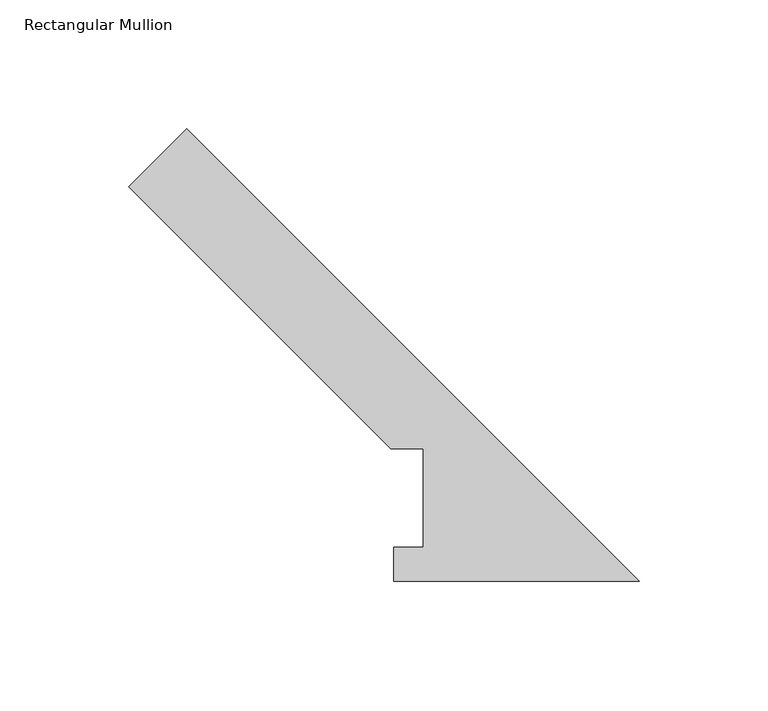
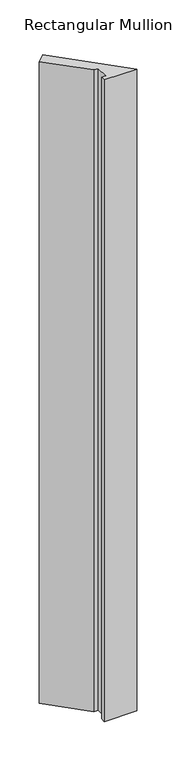
"""IFC4 building model written with IfcOpenShell, lengths in millimetres: member geometry, Rectangular Mullion."""

import ifcopenshell
import ifcopenshell.guid

model = None  # the IFC model being written
_history = None  # IfcOwnerHistory: only IFC2X3 demands one
_inside = {}  # id of a spatial element -> (the spatial element, [elements in it])
_under = {}  # id of a project, library or spatial element -> (it, [spatial elements below it])
_declared = {}  # id of a project -> (the project, [libraries it declares])
_typed = {}  # id of a type object -> (the type object, [elements of that type])
_made_of = {}  # id of a material, layer set ... -> (it, [elements and type objects made of it])


def new_model(schema):
    """Start an empty IFC model of exactly this schema.

    Asked for "IFC4X3", IfcOpenShell would pick the latest addendum, in which some entities
    have other attributes; the version numbers below select the first issue.
    IFC2X3 requires an IfcOwnerHistory on every rooted entity: one is made here for all.
    """
    global model, _history
    if schema == "IFC4X3":
        model = ifcopenshell.file(schema_version=(4, 3, 0, 0))
    else:
        model = ifcopenshell.file(schema=schema)
    _inside.clear()
    _under.clear()
    _declared.clear()
    _typed.clear()
    _made_of.clear()
    _history = None
    if model.schema == "IFC2X3":
        org = make("IfcOrganization", Name="unknown")
        user = make(
            "IfcPersonAndOrganization",
            ThePerson=make("IfcPerson", FamilyName="unknown"),
            TheOrganization=org,
        )
        app = make(
            "IfcApplication",
            ApplicationDeveloper=org,
            Version="unknown",
            ApplicationFullName="unknown",
            ApplicationIdentifier="unknown",
        )
        _history = make(
            "IfcOwnerHistory",
            OwningUser=user,
            OwningApplication=app,
            ChangeAction="ADDED",
            CreationDate=0,
        )
    return model


def make(cls, **values):
    """One entity of the class cls with the attributes given. An attribute that is None is left unset."""
    return model.create_entity(
        cls, **{name: value for name, value in values.items() if value is not None}
    )


def rooted(cls, **values):
    """An entity with a GlobalId (a new one), such as an element, a storey or a relation."""
    return make(cls, GlobalId=ifcopenshell.guid.new(), OwnerHistory=_history, **values)


def si_unit(unit_type, name, prefix=None):
    """IfcSIUnit, for example si_unit("LENGTHUNIT", "METRE", prefix="MILLI")."""
    return make("IfcSIUnit", UnitType=unit_type, Prefix=prefix, Name=name)


def assignment(units):
    """IfcUnitAssignment: the units of a project."""
    return None if units is None else make("IfcUnitAssignment", Units=units)


def point(xyz):
    """IfcCartesianPoint."""
    return None if xyz is None else make("IfcCartesianPoint", Coordinates=xyz)


def direction(xyz):
    """IfcDirection."""
    return None if xyz is None else make("IfcDirection", DirectionRatios=xyz)


def frame(location, z_axis=None, x_axis=None):
    """IfcAxis2Placement3D, a coordinate frame: its origin and axes. An axis left out is left unset."""
    return make(
        "IfcAxis2Placement3D",
        Location=point(location),
        Axis=direction(z_axis),
        RefDirection=direction(x_axis),
    )


def origin():
    """The frame at (0, 0, 0) with its axes left unset."""
    return frame((0.0, 0.0, 0.0))


def place(relative_to, where):
    """IfcLocalPlacement: puts the frame where relative to a parent placement (None: the world)."""
    return make(
        "IfcLocalPlacement", PlacementRelTo=relative_to, RelativePlacement=where
    )


def context(
    kind, dimensions, precision=None, world=None, true_north=None, identifier=None
):
    """IfcGeometricRepresentationContext, for example the 3D "Model" context."""
    return make(
        "IfcGeometricRepresentationContext",
        ContextIdentifier=identifier,
        ContextType=kind,
        CoordinateSpaceDimension=dimensions,
        Precision=precision,
        WorldCoordinateSystem=world,
        TrueNorth=true_north,
    )


def project(units=None, contexts=None):
    """IfcProject with its units and contexts."""
    return rooted(
        "IfcProject",
        Name="project",
        RepresentationContexts=contexts,
        UnitsInContext=assignment(units),
    )


def spatial(cls, under=None, at=None, **own):
    """A site, building, storey or space (cls), placed at a placement, below another one or the project."""
    s = rooted(cls, ObjectPlacement=at, **own)
    if under is not None:
        _under.setdefault(under.id(), (under, []))[1].append(s)
    return s


def polyline(points):
    """IfcPolyline through the points."""
    return make("IfcPolyline", Points=[point(p) for p in points])


def outline(outer, holes=None, kind="AREA"):
    """IfcArbitraryClosedProfileDef: a profile drawn as a closed curve; with holes, ...WithVoids."""
    if holes is None:
        return make("IfcArbitraryClosedProfileDef", ProfileType=kind, OuterCurve=outer)
    return make(
        "IfcArbitraryProfileDefWithVoids",
        ProfileType=kind,
        OuterCurve=outer,
        InnerCurves=holes,
    )


def extrude(swept, where, along, depth):
    """IfcExtrudedAreaSolid: the profile swept, set in the frame where, extruded along a direction by depth."""
    return make(
        "IfcExtrudedAreaSolid",
        SweptArea=swept,
        Position=where,
        ExtrudedDirection=direction(along),
        Depth=depth,
    )


def shape(context_of_items, identifier, shape_type, items):
    """IfcShapeRepresentation: the items that make up one representation, for example the "Body"."""
    return make(
        "IfcShapeRepresentation",
        ContextOfItems=context_of_items,
        RepresentationIdentifier=identifier,
        RepresentationType=shape_type,
        Items=items,
    )


def source(mapping_origin, context_of_items, identifier, shape_type, items):
    """IfcRepresentationMap: a shape defined once, which mapped items show again and again."""
    return make(
        "IfcRepresentationMap",
        MappingOrigin=mapping_origin,
        MappedRepresentation=shape(context_of_items, identifier, shape_type, items),
    )


def transform(
    local_origin,
    x_axis=None,
    y_axis=None,
    z_axis=None,
    scale=None,
    scale2=None,
    scale3=None,
    uniform=True,
):
    """IfcCartesianTransformationOperator3D, or its non-uniform kind. x_axis, y_axis, z_axis: its Axis1, 2, 3."""
    if uniform:
        return make(
            "IfcCartesianTransformationOperator3D",
            Axis1=direction(x_axis),
            Axis2=direction(y_axis),
            LocalOrigin=point(local_origin),
            Scale=scale,
            Axis3=direction(z_axis),
        )
    return make(
        "IfcCartesianTransformationOperator3DnonUniform",
        Axis1=direction(x_axis),
        Axis2=direction(y_axis),
        LocalOrigin=point(local_origin),
        Scale=scale,
        Axis3=direction(z_axis),
        Scale2=scale2,
        Scale3=scale3,
    )


def mapped(mapping_source, mapping_target):
    """IfcMappedItem: shows the shape of a source again, moved by a transform."""
    return make(
        "IfcMappedItem", MappingSource=mapping_source, MappingTarget=mapping_target
    )


def made_of(thing, what):
    """Note that an element or type object is made of a material, layer set ...; save() writes the relation."""
    if what is not None:
        _made_of.setdefault(what.id(), (what, []))[1].append(thing)
    return thing


def element(
    cls,
    number,
    at=None,
    inside=None,
    cuts=None,
    type_object=None,
    material=None,
    context=None,
    identifier="Body",
    shape_type=None,
    held_by="IfcProductDefinitionShape",
    body=None,
    shapes=None,
    **own,
):
    """One element of the class cls, such as IfcWall. Its Tag is "e" and its number.

    at: its placement. inside: the storey or other place that contains it. cuts: it is an
    opening in that element (IfcRelVoidsElement). A single representation is given by context,
    identifier, shape_type and body (its items); several are given by shapes. held_by: the class
    of the entity that holds the representations. save() writes the other relations.
    """
    e = rooted(cls, Tag="e%d" % number, ObjectPlacement=at, **own)
    if body is not None:
        shapes = [shape(context, identifier, shape_type, body)]
    if shapes is not None:
        e.Representation = make(held_by, Representations=shapes)
    if inside is not None:
        _inside.setdefault(inside.id(), (inside, []))[1].append(e)
    if cuts is not None:
        rooted(
            "IfcRelVoidsElement", RelatingBuildingElement=cuts, RelatedOpeningElement=e
        )
    if type_object is not None:
        _typed.setdefault(type_object.id(), (type_object, []))[1].append(e)
    return made_of(e, material)


def aggregate(whole, parts):
    """IfcRelAggregates: a whole, such as a stair, and the parts it consists of."""
    return rooted("IfcRelAggregates", RelatingObject=whole, RelatedObjects=parts)


def save(model, path):
    """Write the relations noted so far, then the file.

    IfcRelAggregates (storeys below a building ...), IfcRelContainedInSpatialStructure (elements
    in a storey), IfcRelDefinesByType, IfcRelAssociatesMaterial and IfcRelDeclares: one each for
    every whole, place, type object, material and project.
    """
    for whole, parts in _under.values():
        aggregate(whole, parts)
    for where, things in _inside.values():
        rooted(
            "IfcRelContainedInSpatialStructure",
            RelatedElements=things,
            RelatingStructure=where,
        )
    for kind, things in _typed.values():
        rooted("IfcRelDefinesByType", RelatedObjects=things, RelatingType=kind)
    for what, things in _made_of.values():
        rooted("IfcRelAssociatesMaterial", RelatedObjects=things, RelatingMaterial=what)
    for by, libraries in _declared.values():
        rooted("IfcRelDeclares", RelatingContext=by, RelatedDefinitions=libraries)
    model.write(path)


def rectangular_mullion_22c4b307(model_context):
    return source(origin(), model_context, "Body", "SweptSolid", [
        extrude(outline(polyline([(-197.7516598, 152.865349), (-175.3010194, 175.3159893), (0.0, 0.0149699), (-95.1734192, 0.0149699), (-95.1734192, 13.1975699), (-83.5816233, 13.1975699), (-83.5816233, 51.3953125), (-96.2816233, 51.3953125), (-197.7516598, 152.865349)])), frame((0.0, 0.0, -1993.9), z_axis=(0.0, 0.0, 1.0), x_axis=(1.0, 0.0, 0.0)), (0.0, 0.0, 1.0), 1993.9),
    ])


if __name__ == "__main__":
    model = new_model("IFC4")
    model_context = context("Model", 3, world=origin())
    ifc_project = project(units=[si_unit("LENGTHUNIT", "METRE", prefix="MILLI")], contexts=[model_context])
    site = spatial("IfcSite", under=ifc_project)
    building = spatial("IfcBuilding", under=site)
    placement = place(None, origin())
    rectangular_mullion_shape = rectangular_mullion_22c4b307(model_context)
    element("IfcMember", 1, ObjectType="Rectangular Mullion", at=placement, inside=building, context=model_context, shape_type="MappedRepresentation", body=[
        mapped(rectangular_mullion_shape, transform((0.0, 0.0, 0.0), x_axis=(1.0, 0.0, 0.0), y_axis=(0.0, 1.0, 0.0), z_axis=(0.0, 0.0, 1.0))),
    ])
    save(model, "model.ifc")
